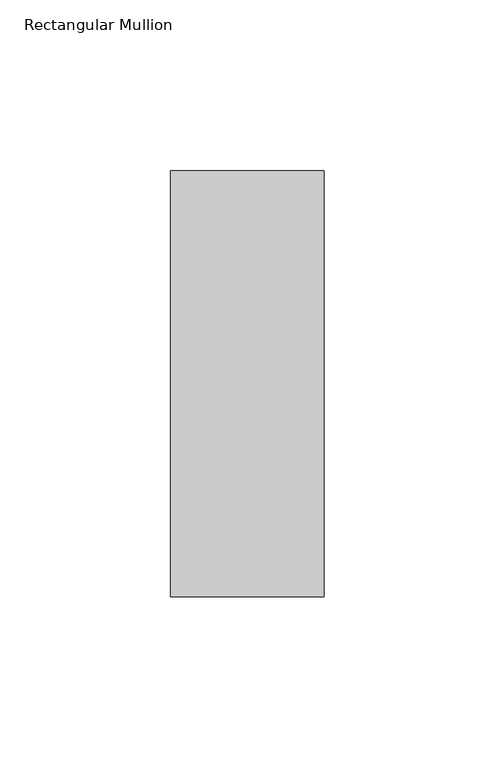
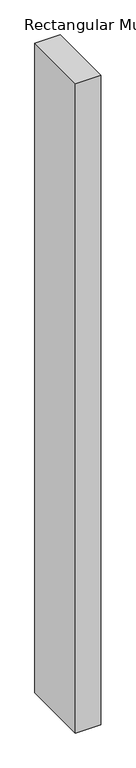
"""IFC4 building model written with IfcOpenShell, lengths in millimetres: member geometry, Rectangular Mullion."""

from ifc_helpers import new_model, si_unit, frame, origin, place, context, project, spatial, polyline, outline, extrude, source, transform, mapped, element, save


def rectangular_mullion_7f2f18a9(model_context):
    return source(origin(), model_context, "Body", "SweptSolid", [
        extrude(outline(polyline([(22.5, -77.84375), (-22.5, -77.84375), (-22.5, 46.84375), (22.5, 46.84375), (22.5, -77.84375)])), frame((0.0, 0.0, -1219.2), z_axis=(0.0, 0.0, 1.0), x_axis=(1.0, 0.0, 0.0)), (0.0, 0.0, 1.0), 1219.2),
    ])


if __name__ == "__main__":
    model = new_model("IFC4")
    model_context = context("Model", 3, world=origin())
    ifc_project = project(units=[si_unit("LENGTHUNIT", "METRE", prefix="MILLI")], contexts=[model_context])
    site = spatial("IfcSite", under=ifc_project)
    building = spatial("IfcBuilding", under=site)
    placement = place(None, origin())
    rectangular_mullion_shape = rectangular_mullion_7f2f18a9(model_context)
    element("IfcMember", 1, ObjectType="Rectangular Mullion", at=placement, inside=building, context=model_context, shape_type="MappedRepresentation", body=[
        mapped(rectangular_mullion_shape, transform((0.0, 0.0, 0.0), x_axis=(1.0, 0.0, 0.0), y_axis=(0.0, 1.0, 0.0), z_axis=(0.0, 0.0, 1.0))),
    ])
    save(model, "model.ifc")
